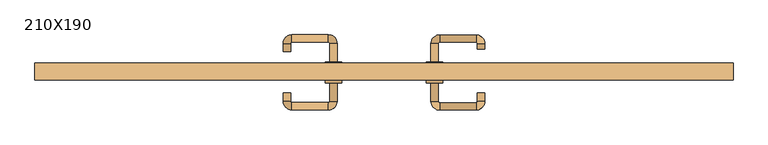
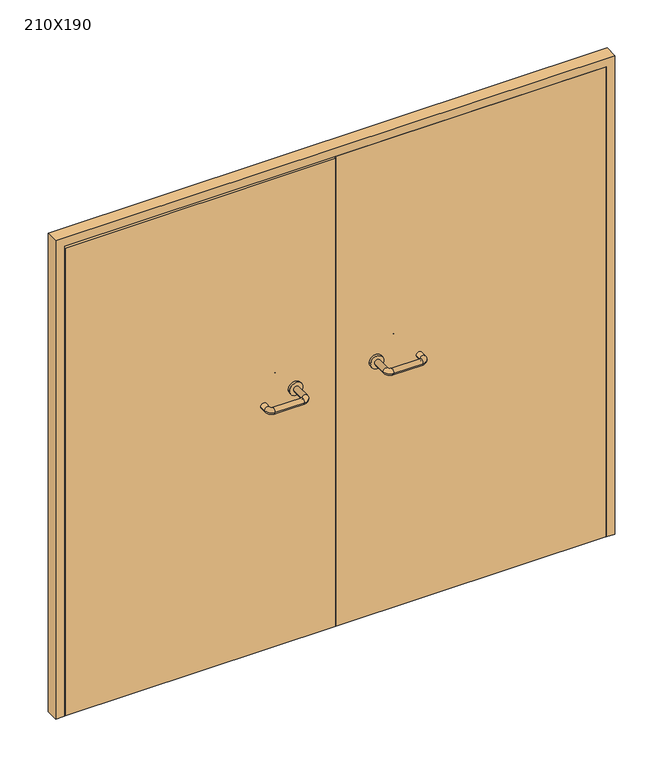
"""IFC4 building model written with IfcOpenShell, lengths in millimetres: door geometry, 210X190."""

from ifc_helpers import new_model, si_unit, point, frame, frame_2d, origin, place, context, project, spatial, polyline, circle_curve, ellipse_curve, trimmed, segment, composite_curve, outline, extrude, source, transform, mapped, element, save
from ifc_brep_helpers import plane_surface, cylinder_surface, revolved_surface, advanced_brep


def door_210x190_cffe0eb4(model_context):
    return source(origin(), model_context, "Body", "SolidModel", [
        extrude(outline(polyline([(1900.0, -1050.0), (0.0, -1050.0), (0.0, -1018.0), (1868.0, -1018.0), (1868.0, 1018.0), (0.0, 1018.0), (0.0, 1050.0), (1900.0, 1050.0), (1900.0, -1050.0)])), frame((0.0, -150.0, 0.0), z_axis=(0.0, 1.0, 0.0), x_axis=(0.0, 0.0, 1.0)), (0.0, 0.0, 1.0), 50.0),
        advanced_brep(
        [(140.99898, -96.0, 1003.0), (162.99898, -96.0, 1003.0), (162.99898, -40.6474631, 1003.0), (140.99898, -40.6474631, 1003.0), (166.99898, -36.6474631, 1003.0), (166.99898, -14.6474631, 1003.0), (276.99898, -36.6474631, 1003.0), (276.99898, -14.6474631, 1003.0), (280.99898, -40.6474631, 1003.0), (302.99898, -40.6474631, 1003.0), (302.99898, -58.0, 1003.0), (280.99898, -58.0, 1003.0)],
        [
            (0, 1, circle_curve(frame((151.99898, -96.0, 1003.0), z_axis=(0.0, -1.0, 0.0), x_axis=(1.0, 0.0, 0.0)), 11.0)),
            (1, 0, circle_curve(frame((151.99898, -96.0, 1003.0), z_axis=(0.0, -1.0, 0.0), x_axis=(1.0, 0.0, 0.0)), 11.0)),
            (1, 2),
            (2, 3, circle_curve(frame((151.99898, -40.6474631, 1003.0), z_axis=(0.0, -1.0, 0.0), x_axis=(1.0, 0.0, 0.0)), 11.0)),
            (3, 0),
            (3, 2, circle_curve(frame((151.99898, -40.6474631, 1003.0), z_axis=(0.0, -1.0, 0.0), x_axis=(1.0, 0.0, 0.0)), 11.0)),
            (4, 5, circle_curve(frame((166.99898, -25.6474631, 1003.0), z_axis=(-1.0, 0.0, 0.0), x_axis=(0.0, -1.0, 0.0)), 11.0)),
            (5, 3, circle_curve(frame((166.99898, -40.6474631, 1003.0), z_axis=(0.0, 0.0, 1.0), x_axis=(-1.0, 0.0, 0.0)), 26.0)),
            (2, 4, circle_curve(frame((166.99898, -40.6474631, 1003.0), z_axis=(0.0, 0.0, -1.0), x_axis=(-1.0, 0.0, 0.0)), 4.0)),
            (5, 4, circle_curve(frame((166.99898, -25.6474631, 1003.0), z_axis=(-1.0, 0.0, 0.0), x_axis=(0.0, -1.0, 0.0)), 11.0)),
            (4, 6),
            (6, 7, circle_curve(frame((276.99898, -25.6474631, 1003.0), z_axis=(-1.0, 0.0, 0.0), x_axis=(0.0, -1.0, 0.0)), 11.0)),
            (7, 5),
            (7, 6, circle_curve(frame((276.99898, -25.6474631, 1003.0), z_axis=(-1.0, 0.0, 0.0), x_axis=(0.0, -1.0, 0.0)), 11.0)),
            (8, 9, circle_curve(frame((291.99898, -40.6474631, 1003.0), z_axis=(0.0, 1.0, 0.0), x_axis=(-1.0, 0.0, 0.0)), 11.0)),
            (9, 7, circle_curve(frame((276.99898, -40.6474631, 1003.0), z_axis=(0.0, 0.0, 1.0), x_axis=(0.0, 1.0, 0.0)), 26.0)),
            (6, 8, circle_curve(frame((276.99898, -40.6474631, 1003.0), z_axis=(0.0, 0.0, -1.0), x_axis=(0.0, 1.0, 0.0)), 4.0)),
            (9, 8, circle_curve(frame((291.99898, -40.6474631, 1003.0), z_axis=(0.0, 1.0, 0.0), x_axis=(-1.0, 0.0, 0.0)), 11.0)),
            (10, 11, circle_curve(frame((291.99898, -58.0, 1003.0), z_axis=(0.0, -1.0, 0.0), x_axis=(-1.0, 0.0, 0.0)), 11.0)),
            (11, 10, circle_curve(frame((291.99898, -58.0, 1003.0), z_axis=(0.0, -1.0, 0.0), x_axis=(-1.0, 0.0, 0.0)), 11.0)),
            (8, 11),
            (10, 9),
        ],
        [
            plane_surface(frame((140.99898, -96.0, 1003.0), z_axis=(0.0, -1.0, 0.0), x_axis=(0.0, 0.0, -1.0))),
            cylinder_surface(frame((151.99898, -96.0, 1003.0), z_axis=(0.0, -1.0, 0.0), x_axis=(1.0, 0.0, 0.0)), 11.0),
            revolved_surface(trimmed(ellipse_curve(frame((151.99898, -40.6474631, 1003.0), z_axis=(0.0, 1.0, 0.0), x_axis=(1.0, 0.0, 0.0)), 11.0, 11.0), [point((140.99898, -40.6474631, 1003.0))], [point((162.99898, -40.6474631, 1003.0))], True, "CARTESIAN"), (166.99898, -40.6474631, 1003.0), (0.0, 0.0, 1.0)),
            revolved_surface(trimmed(ellipse_curve(frame((151.99898, -40.6474631, 1003.0), z_axis=(0.0, 1.0, 0.0), x_axis=(1.0, 0.0, 0.0)), 11.0, 11.0), [point((162.99898, -40.6474631, 1003.0))], [point((140.99898, -40.6474631, 1003.0))], True, "CARTESIAN"), (166.99898, -40.6474631, 1003.0), (0.0, 0.0, 1.0)),
            cylinder_surface(frame((166.99898, -25.6474631, 1003.0), z_axis=(-1.0, 0.0, 0.0), x_axis=(0.0, -1.0, 0.0)), 11.0),
            revolved_surface(trimmed(ellipse_curve(frame((276.99898, -25.6474631, 1003.0), z_axis=(1.0, 0.0, 0.0), x_axis=(0.0, -1.0, 0.0)), 11.0, 11.0), [point((276.99898, -14.6474631, 1003.0))], [point((276.99898, -36.6474631, 1003.0))], True, "CARTESIAN"), (276.99898, -40.6474631, 1003.0), (0.0, 0.0, 1.0)),
            revolved_surface(trimmed(ellipse_curve(frame((276.99898, -25.6474631, 1003.0), z_axis=(1.0, 0.0, 0.0), x_axis=(0.0, -1.0, 0.0)), 11.0, 11.0), [point((276.99898, -36.6474631, 1003.0))], [point((276.99898, -14.6474631, 1003.0))], True, "CARTESIAN"), (276.99898, -40.6474631, 1003.0), (0.0, 0.0, 1.0)),
            plane_surface(frame((280.99898, -58.0, 1003.0), z_axis=(0.0, -1.0, 0.0), x_axis=(0.0, 0.0, 1.0))),
            cylinder_surface(frame((291.99898, -40.6474631, 1003.0), z_axis=(0.0, 1.0, 0.0), x_axis=(-1.0, 0.0, 0.0)), 11.0),
        ],
        [
            (0, [[1, 2]]),
            (1, [[3, 4, 5, -2]]),
            (1, [[-5, 6, -3, -1]]),
            (2, [[7, 8, -4, 9]]),
            (3, [[10, -9, -6, -8]]),
            (4, [[11, 12, 13, -7]]),
            (4, [[-13, 14, -11, -10]]),
            (5, [[15, 16, -12, 17]]),
            (6, [[18, -17, -14, -16]]),
            (7, [[19, 20]]),
            (8, [[21, -19, 22, -15]]),
            (8, [[-22, -20, -21, -18]]),
        ],
    ),
        extrude(outline(composite_curve([segment(trimmed(circle_curve(frame_2d((1003.0, 151.99898)), 25.0), [point((1003.0, 126.99898))], [point((1003.0, 176.99898))], False, "CARTESIAN"), True, "CONTINUOUS"), segment(trimmed(circle_curve(frame_2d((1003.0, 151.99898)), 25.0), [point((1003.0, 176.99898))], [point((1003.0, 126.99898))], False, "CARTESIAN"), True, "CONTINUOUS")], self_intersect=False)), frame((0.0, -106.0, 0.0), z_axis=(0.0, 1.0, 0.0), x_axis=(0.0, 0.0, 1.0)), (0.0, 0.0, 1.0), 10.0),
        advanced_brep(
        [(162.99898, -160.0, 1003.0), (140.99898, -160.0, 1003.0), (140.99898, -215.0, 1003.0), (162.99898, -215.0, 1003.0), (166.99898, -241.0, 1003.0), (166.99898, -219.0, 1003.0), (276.99898, -241.0, 1003.0), (276.99898, -219.0, 1003.0), (302.99898, -215.0, 1003.0), (280.99898, -215.0, 1003.0), (280.99898, -190.0, 1003.0), (302.99898, -190.0, 1003.0)],
        [
            (0, 1, circle_curve(frame((151.99898, -160.0, 1003.0), z_axis=(0.0, 1.0, 0.0), x_axis=(-1.0, 0.0, 0.0)), 11.0)),
            (1, 0, circle_curve(frame((151.99898, -160.0, 1003.0), z_axis=(0.0, 1.0, 0.0), x_axis=(-1.0, 0.0, 0.0)), 11.0)),
            (1, 2),
            (2, 3, circle_curve(frame((151.99898, -215.0, 1003.0), z_axis=(0.0, 1.0, 0.0), x_axis=(-1.0, 0.0, 0.0)), 11.0)),
            (3, 0),
            (3, 2, circle_curve(frame((151.99898, -215.0, 1003.0), z_axis=(0.0, 1.0, 0.0), x_axis=(-1.0, 0.0, 0.0)), 11.0)),
            (4, 5, circle_curve(frame((166.99898, -230.0, 1003.0), z_axis=(-1.0, 0.0, 0.0), x_axis=(0.0, -1.0, 0.0)), 11.0)),
            (5, 3, circle_curve(frame((166.99898, -215.0, 1003.0), z_axis=(0.0, 0.0, -1.0), x_axis=(-1.0, 0.0, 0.0)), 4.0)),
            (2, 4, circle_curve(frame((166.99898, -215.0, 1003.0), z_axis=(0.0, 0.0, 1.0), x_axis=(-1.0, 0.0, 0.0)), 26.0)),
            (5, 4, circle_curve(frame((166.99898, -230.0, 1003.0), z_axis=(-1.0, 0.0, 0.0), x_axis=(0.0, -1.0, 0.0)), 11.0)),
            (4, 6),
            (6, 7, circle_curve(frame((276.99898, -230.0, 1003.0), z_axis=(-1.0, 0.0, 0.0), x_axis=(0.0, -1.0, 0.0)), 11.0)),
            (7, 5),
            (7, 6, circle_curve(frame((276.99898, -230.0, 1003.0), z_axis=(-1.0, 0.0, 0.0), x_axis=(0.0, -1.0, 0.0)), 11.0)),
            (8, 9, circle_curve(frame((291.99898, -215.0, 1003.0), z_axis=(0.0, -1.0, 0.0), x_axis=(1.0, 0.0, 0.0)), 11.0)),
            (9, 7, circle_curve(frame((276.99898, -215.0, 1003.0), z_axis=(0.0, 0.0, -1.0), x_axis=(0.0, -1.0, 0.0)), 4.0)),
            (6, 8, circle_curve(frame((276.99898, -215.0, 1003.0), z_axis=(0.0, 0.0, 1.0), x_axis=(0.0, -1.0, 0.0)), 26.0)),
            (9, 8, circle_curve(frame((291.99898, -215.0, 1003.0), z_axis=(0.0, -1.0, 0.0), x_axis=(1.0, 0.0, 0.0)), 11.0)),
            (10, 11, circle_curve(frame((291.99898, -190.0, 1003.0), z_axis=(0.0, 1.0, 0.0), x_axis=(1.0, 0.0, 0.0)), 11.0)),
            (11, 10, circle_curve(frame((291.99898, -190.0, 1003.0), z_axis=(0.0, 1.0, 0.0), x_axis=(1.0, 0.0, 0.0)), 11.0)),
            (8, 11),
            (10, 9),
        ],
        [
            plane_surface(frame((140.99898, -160.0, 1003.0), z_axis=(0.0, 1.0, 0.0), x_axis=(0.0, 0.0, 1.0))),
            cylinder_surface(frame((151.99898, -160.0, 1003.0), z_axis=(0.0, 1.0, 0.0), x_axis=(-1.0, 0.0, 0.0)), 11.0),
            revolved_surface(trimmed(ellipse_curve(frame((151.99898, -215.0, 1003.0), z_axis=(0.0, -1.0, 0.0), x_axis=(-1.0, 0.0, 0.0)), 11.0, 11.0), [point((162.99898, -215.0, 1003.0))], [point((140.99898, -215.0, 1003.0))], True, "CARTESIAN"), (166.99898, -215.0, 1003.0), (0.0, 0.0, -1.0)),
            revolved_surface(trimmed(ellipse_curve(frame((151.99898, -215.0, 1003.0), z_axis=(0.0, -1.0, 0.0), x_axis=(-1.0, 0.0, 0.0)), 11.0, 11.0), [point((140.99898, -215.0, 1003.0))], [point((162.99898, -215.0, 1003.0))], True, "CARTESIAN"), (166.99898, -215.0, 1003.0), (0.0, 0.0, -1.0)),
            cylinder_surface(frame((166.99898, -230.0, 1003.0), z_axis=(-1.0, 0.0, 0.0), x_axis=(0.0, -1.0, 0.0)), 11.0),
            revolved_surface(trimmed(ellipse_curve(frame((276.99898, -230.0, 1003.0), z_axis=(1.0, 0.0, 0.0), x_axis=(0.0, -1.0, 0.0)), 11.0, 11.0), [point((276.99898, -219.0, 1003.0))], [point((276.99898, -241.0, 1003.0))], True, "CARTESIAN"), (276.99898, -215.0, 1003.0), (0.0, 0.0, -1.0)),
            revolved_surface(trimmed(ellipse_curve(frame((276.99898, -230.0, 1003.0), z_axis=(1.0, 0.0, 0.0), x_axis=(0.0, -1.0, 0.0)), 11.0, 11.0), [point((276.99898, -241.0, 1003.0))], [point((276.99898, -219.0, 1003.0))], True, "CARTESIAN"), (276.99898, -215.0, 1003.0), (0.0, 0.0, -1.0)),
            plane_surface(frame((280.99898, -190.0, 1003.0), z_axis=(0.0, 1.0, 0.0), x_axis=(0.0, 0.0, -1.0))),
            cylinder_surface(frame((291.99898, -215.0, 1003.0), z_axis=(0.0, -1.0, 0.0), x_axis=(1.0, 0.0, 0.0)), 11.0),
        ],
        [
            (0, [[1, 2]]),
            (1, [[3, 4, 5, -2]]),
            (1, [[-5, 6, -3, -1]]),
            (2, [[7, 8, -4, 9]]),
            (3, [[10, -9, -6, -8]]),
            (4, [[11, 12, 13, -7]]),
            (4, [[-13, 14, -11, -10]]),
            (5, [[15, 16, -12, 17]]),
            (6, [[18, -17, -14, -16]]),
            (7, [[19, 20]]),
            (8, [[21, -19, 22, -15]]),
            (8, [[-22, -20, -21, -18]]),
        ],
    ),
        extrude(outline(composite_curve([segment(trimmed(circle_curve(frame_2d((1003.0, 151.99898)), 25.0), [point((1003.0, 176.99898))], [point((1003.0, 126.99898))], False, "CARTESIAN"), True, "CONTINUOUS"), segment(trimmed(circle_curve(frame_2d((1003.0, 151.99898)), 25.0), [point((1003.0, 126.99898))], [point((1003.0, 176.99898))], False, "CARTESIAN"), True, "CONTINUOUS")], self_intersect=False)), frame((0.0, -160.0, 0.0), z_axis=(0.0, 1.0, 0.0), x_axis=(0.0, 0.0, 1.0)), (0.0, 0.0, 1.0), 10.0),
        advanced_brep(
        [(-162.99898, -95.6886121, 1003.0), (-140.99898, -95.6886121, 1003.0), (-140.99898, -40.2779553, 1003.0), (-162.99898, -40.2779553, 1003.0), (-166.99898, -14.2779553, 1003.0), (-166.99898, -36.2779553, 1003.0), (-276.99898, -14.2779553, 1003.0), (-276.99898, -36.2779553, 1003.0), (-302.99898, -40.2779553, 1003.0), (-280.99898, -40.2779553, 1003.0), (-280.99898, -65.2779553, 1003.0), (-302.99898, -65.2779553, 1003.0)],
        [
            (0, 1, circle_curve(frame((-151.99898, -95.6886121, 1003.0), z_axis=(0.0, -1.0, 0.0), x_axis=(1.0, 0.0, 0.0)), 11.0)),
            (1, 0, circle_curve(frame((-151.99898, -95.6886121, 1003.0), z_axis=(0.0, -1.0, 0.0), x_axis=(1.0, 0.0, 0.0)), 11.0)),
            (1, 2),
            (2, 3, circle_curve(frame((-151.99898, -40.2779553, 1003.0), z_axis=(0.0, -1.0, 0.0), x_axis=(1.0, 0.0, 0.0)), 11.0)),
            (3, 0),
            (3, 2, circle_curve(frame((-151.99898, -40.2779553, 1003.0), z_axis=(0.0, -1.0, 0.0), x_axis=(1.0, 0.0, 0.0)), 11.0)),
            (4, 5, circle_curve(frame((-166.99898, -25.2779553, 1003.0), z_axis=(1.0, 0.0, 0.0), x_axis=(0.0, 1.0, 0.0)), 11.0)),
            (5, 3, circle_curve(frame((-166.99898, -40.2779553, 1003.0), z_axis=(0.0, 0.0, -1.0), x_axis=(1.0, 0.0, 0.0)), 4.0)),
            (2, 4, circle_curve(frame((-166.99898, -40.2779553, 1003.0), z_axis=(0.0, 0.0, 1.0), x_axis=(1.0, 0.0, 0.0)), 26.0)),
            (5, 4, circle_curve(frame((-166.99898, -25.2779553, 1003.0), z_axis=(1.0, 0.0, 0.0), x_axis=(0.0, 1.0, 0.0)), 11.0)),
            (4, 6),
            (6, 7, circle_curve(frame((-276.99898, -25.2779553, 1003.0), z_axis=(1.0, 0.0, 0.0), x_axis=(0.0, 1.0, 0.0)), 11.0)),
            (7, 5),
            (7, 6, circle_curve(frame((-276.99898, -25.2779553, 1003.0), z_axis=(1.0, 0.0, 0.0), x_axis=(0.0, 1.0, 0.0)), 11.0)),
            (8, 9, circle_curve(frame((-291.99898, -40.2779553, 1003.0), z_axis=(0.0, 1.0, 0.0), x_axis=(-1.0, 0.0, 0.0)), 11.0)),
            (9, 7, circle_curve(frame((-276.99898, -40.2779553, 1003.0), z_axis=(0.0, 0.0, -1.0), x_axis=(0.0, 1.0, 0.0)), 4.0)),
            (6, 8, circle_curve(frame((-276.99898, -40.2779553, 1003.0), z_axis=(0.0, 0.0, 1.0), x_axis=(0.0, 1.0, 0.0)), 26.0)),
            (9, 8, circle_curve(frame((-291.99898, -40.2779553, 1003.0), z_axis=(0.0, 1.0, 0.0), x_axis=(-1.0, 0.0, 0.0)), 11.0)),
            (10, 11, circle_curve(frame((-291.99898, -65.2779553, 1003.0), z_axis=(0.0, -1.0, 0.0), x_axis=(-1.0, 0.0, 0.0)), 11.0)),
            (11, 10, circle_curve(frame((-291.99898, -65.2779553, 1003.0), z_axis=(0.0, -1.0, 0.0), x_axis=(-1.0, 0.0, 0.0)), 11.0)),
            (8, 11),
            (10, 9),
        ],
        [
            plane_surface(frame((-162.99898, -95.6886121, 1003.0), z_axis=(0.0, -1.0, 0.0), x_axis=(0.0, 0.0, -1.0))),
            cylinder_surface(frame((-151.99898, -95.6886121, 1003.0), z_axis=(0.0, -1.0, 0.0), x_axis=(1.0, 0.0, 0.0)), 11.0),
            revolved_surface(trimmed(ellipse_curve(frame((-151.99898, -40.2779553, 1003.0), z_axis=(0.0, 1.0, 0.0), x_axis=(1.0, 0.0, 0.0)), 11.0, 11.0), [point((-162.99898, -40.2779553, 1003.0))], [point((-140.99898, -40.2779553, 1003.0))], True, "CARTESIAN"), (-166.99898, -40.2779553, 1003.0), (0.0, 0.0, -1.0)),
            revolved_surface(trimmed(ellipse_curve(frame((-151.99898, -40.2779553, 1003.0), z_axis=(0.0, 1.0, 0.0), x_axis=(1.0, 0.0, 0.0)), 11.0, 11.0), [point((-140.99898, -40.2779553, 1003.0))], [point((-162.99898, -40.2779553, 1003.0))], True, "CARTESIAN"), (-166.99898, -40.2779553, 1003.0), (0.0, 0.0, -1.0)),
            cylinder_surface(frame((-166.99898, -25.2779553, 1003.0), z_axis=(1.0, 0.0, 0.0), x_axis=(0.0, 1.0, 0.0)), 11.0),
            revolved_surface(trimmed(ellipse_curve(frame((-276.99898, -25.2779553, 1003.0), z_axis=(-1.0, 0.0, 0.0), x_axis=(0.0, 1.0, 0.0)), 11.0, 11.0), [point((-276.99898, -36.2779553, 1003.0))], [point((-276.99898, -14.2779553, 1003.0))], True, "CARTESIAN"), (-276.99898, -40.2779553, 1003.0), (0.0, 0.0, -1.0)),
            revolved_surface(trimmed(ellipse_curve(frame((-276.99898, -25.2779553, 1003.0), z_axis=(-1.0, 0.0, 0.0), x_axis=(0.0, 1.0, 0.0)), 11.0, 11.0), [point((-276.99898, -14.2779553, 1003.0))], [point((-276.99898, -36.2779553, 1003.0))], True, "CARTESIAN"), (-276.99898, -40.2779553, 1003.0), (0.0, 0.0, -1.0)),
            plane_surface(frame((-302.99898, -65.2779553, 1003.0), z_axis=(0.0, -1.0, 0.0), x_axis=(0.0, 0.0, 1.0))),
            cylinder_surface(frame((-291.99898, -40.2779553, 1003.0), z_axis=(0.0, 1.0, 0.0), x_axis=(-1.0, 0.0, 0.0)), 11.0),
        ],
        [
            (0, [[1, 2]]),
            (1, [[3, 4, 5, -2]]),
            (1, [[-5, 6, -3, -1]]),
            (2, [[7, 8, -4, 9]]),
            (3, [[10, -9, -6, -8]]),
            (4, [[11, 12, 13, -7]]),
            (4, [[-13, 14, -11, -10]]),
            (5, [[15, 16, -12, 17]]),
            (6, [[18, -17, -14, -16]]),
            (7, [[19, 20]]),
            (8, [[21, -19, 22, -15]]),
            (8, [[-22, -20, -21, -18]]),
        ],
    ),
        extrude(outline(composite_curve([segment(trimmed(circle_curve(frame_2d((1003.0, -151.99898)), 25.0), [point((1003.0, -176.99898))], [point((1003.0, -126.99898))], False, "CARTESIAN"), True, "CONTINUOUS"), segment(trimmed(circle_curve(frame_2d((1003.0, -151.99898)), 25.0), [point((1003.0, -126.99898))], [point((1003.0, -176.99898))], False, "CARTESIAN"), True, "CONTINUOUS")], self_intersect=False)), frame((0.0, -106.0, 0.0), z_axis=(0.0, 1.0, 0.0), x_axis=(0.0, 0.0, 1.0)), (0.0, 0.0, 1.0), 10.3113879),
        advanced_brep(
        [(-140.99898, -159.5143417, 1003.0), (-162.99898, -159.5143417, 1003.0), (-162.99898, -214.6104656, 1003.0), (-140.99898, -214.6104656, 1003.0), (-166.99898, -218.6104656, 1003.0), (-166.99898, -240.6104656, 1003.0), (-276.99898, -218.6104656, 1003.0), (-276.99898, -240.6104656, 1003.0), (-280.99898, -214.6104656, 1003.0), (-302.99898, -214.6104656, 1003.0), (-302.99898, -189.6104656, 1003.0), (-280.99898, -189.6104656, 1003.0)],
        [
            (0, 1, circle_curve(frame((-151.99898, -159.5143417, 1003.0), z_axis=(0.0, 1.0, 0.0), x_axis=(-1.0, 0.0, 0.0)), 11.0)),
            (1, 0, circle_curve(frame((-151.99898, -159.5143417, 1003.0), z_axis=(0.0, 1.0, 0.0), x_axis=(-1.0, 0.0, 0.0)), 11.0)),
            (1, 2),
            (2, 3, circle_curve(frame((-151.99898, -214.6104656, 1003.0), z_axis=(0.0, 1.0, 0.0), x_axis=(-1.0, 0.0, 0.0)), 11.0)),
            (3, 0),
            (3, 2, circle_curve(frame((-151.99898, -214.6104656, 1003.0), z_axis=(0.0, 1.0, 0.0), x_axis=(-1.0, 0.0, 0.0)), 11.0)),
            (4, 5, circle_curve(frame((-166.99898, -229.6104656, 1003.0), z_axis=(1.0, 0.0, 0.0), x_axis=(0.0, 1.0, 0.0)), 11.0)),
            (5, 3, circle_curve(frame((-166.99898, -214.6104656, 1003.0), z_axis=(0.0, 0.0, 1.0), x_axis=(1.0, 0.0, 0.0)), 26.0)),
            (2, 4, circle_curve(frame((-166.99898, -214.6104656, 1003.0), z_axis=(0.0, 0.0, -1.0), x_axis=(1.0, 0.0, 0.0)), 4.0)),
            (5, 4, circle_curve(frame((-166.99898, -229.6104656, 1003.0), z_axis=(1.0, 0.0, 0.0), x_axis=(0.0, 1.0, 0.0)), 11.0)),
            (4, 6),
            (6, 7, circle_curve(frame((-276.99898, -229.6104656, 1003.0), z_axis=(1.0, 0.0, 0.0), x_axis=(0.0, 1.0, 0.0)), 11.0)),
            (7, 5),
            (7, 6, circle_curve(frame((-276.99898, -229.6104656, 1003.0), z_axis=(1.0, 0.0, 0.0), x_axis=(0.0, 1.0, 0.0)), 11.0)),
            (8, 9, circle_curve(frame((-291.99898, -214.6104656, 1003.0), z_axis=(0.0, -1.0, 0.0), x_axis=(1.0, 0.0, 0.0)), 11.0)),
            (9, 7, circle_curve(frame((-276.99898, -214.6104656, 1003.0), z_axis=(0.0, 0.0, 1.0), x_axis=(0.0, -1.0, 0.0)), 26.0)),
            (6, 8, circle_curve(frame((-276.99898, -214.6104656, 1003.0), z_axis=(0.0, 0.0, -1.0), x_axis=(0.0, -1.0, 0.0)), 4.0)),
            (9, 8, circle_curve(frame((-291.99898, -214.6104656, 1003.0), z_axis=(0.0, -1.0, 0.0), x_axis=(1.0, 0.0, 0.0)), 11.0)),
            (10, 11, circle_curve(frame((-291.99898, -189.6104656, 1003.0), z_axis=(0.0, 1.0, 0.0), x_axis=(1.0, 0.0, 0.0)), 11.0)),
            (11, 10, circle_curve(frame((-291.99898, -189.6104656, 1003.0), z_axis=(0.0, 1.0, 0.0), x_axis=(1.0, 0.0, 0.0)), 11.0)),
            (8, 11),
            (10, 9),
        ],
        [
            plane_surface(frame((-162.99898, -159.5143417, 1003.0), z_axis=(0.0, 1.0, 0.0), x_axis=(0.0, 0.0, 1.0))),
            cylinder_surface(frame((-151.99898, -159.5143417, 1003.0), z_axis=(0.0, 1.0, 0.0), x_axis=(-1.0, 0.0, 0.0)), 11.0),
            revolved_surface(trimmed(ellipse_curve(frame((-151.99898, -214.6104656, 1003.0), z_axis=(0.0, -1.0, 0.0), x_axis=(-1.0, 0.0, 0.0)), 11.0, 11.0), [point((-140.99898, -214.6104656, 1003.0))], [point((-162.99898, -214.6104656, 1003.0))], True, "CARTESIAN"), (-166.99898, -214.6104656, 1003.0), (0.0, 0.0, 1.0)),
            revolved_surface(trimmed(ellipse_curve(frame((-151.99898, -214.6104656, 1003.0), z_axis=(0.0, -1.0, 0.0), x_axis=(-1.0, 0.0, 0.0)), 11.0, 11.0), [point((-162.99898, -214.6104656, 1003.0))], [point((-140.99898, -214.6104656, 1003.0))], True, "CARTESIAN"), (-166.99898, -214.6104656, 1003.0), (0.0, 0.0, 1.0)),
            cylinder_surface(frame((-166.99898, -229.6104656, 1003.0), z_axis=(1.0, 0.0, 0.0), x_axis=(0.0, 1.0, 0.0)), 11.0),
            revolved_surface(trimmed(ellipse_curve(frame((-276.99898, -229.6104656, 1003.0), z_axis=(-1.0, 0.0, 0.0), x_axis=(0.0, 1.0, 0.0)), 11.0, 11.0), [point((-276.99898, -240.6104656, 1003.0))], [point((-276.99898, -218.6104656, 1003.0))], True, "CARTESIAN"), (-276.99898, -214.6104656, 1003.0), (0.0, 0.0, 1.0)),
            revolved_surface(trimmed(ellipse_curve(frame((-276.99898, -229.6104656, 1003.0), z_axis=(-1.0, 0.0, 0.0), x_axis=(0.0, 1.0, 0.0)), 11.0, 11.0), [point((-276.99898, -218.6104656, 1003.0))], [point((-276.99898, -240.6104656, 1003.0))], True, "CARTESIAN"), (-276.99898, -214.6104656, 1003.0), (0.0, 0.0, 1.0)),
            plane_surface(frame((-302.99898, -189.6104656, 1003.0), z_axis=(0.0, 1.0, 0.0), x_axis=(0.0, 0.0, -1.0))),
            cylinder_surface(frame((-291.99898, -214.6104656, 1003.0), z_axis=(0.0, -1.0, 0.0), x_axis=(1.0, 0.0, 0.0)), 11.0),
        ],
        [
            (0, [[1, 2]]),
            (1, [[3, 4, 5, -2]]),
            (1, [[-5, 6, -3, -1]]),
            (2, [[7, 8, -4, 9]]),
            (3, [[10, -9, -6, -8]]),
            (4, [[11, 12, 13, -7]]),
            (4, [[-13, 14, -11, -10]]),
            (5, [[15, 16, -12, 17]]),
            (6, [[18, -17, -14, -16]]),
            (7, [[19, 20]]),
            (8, [[21, -19, 22, -15]]),
            (8, [[-22, -20, -21, -18]]),
        ],
    ),
        extrude(outline(composite_curve([segment(trimmed(circle_curve(frame_2d((1003.0, -151.99898)), 25.0), [point((1003.0, -126.99898))], [point((1003.0, -176.99898))], False, "CARTESIAN"), True, "CONTINUOUS"), segment(trimmed(circle_curve(frame_2d((1003.0, -151.99898)), 25.0), [point((1003.0, -176.99898))], [point((1003.0, -126.99898))], False, "CARTESIAN"), True, "CONTINUOUS")], self_intersect=False)), frame((0.0, -159.5143417, 0.0), z_axis=(0.0, 1.0, 0.0), x_axis=(0.0, 0.0, 1.0)), (0.0, 0.0, 1.0), 9.5143417),
        extrude(outline(polyline([(1.0739506, -106.0), (1.0739506, -150.0), (-1015.0, -150.0), (-1015.0, -106.0), (1.0739506, -106.0)])), frame((0.0, 0.0, 1.753223), z_axis=(0.0, 0.0, 1.0), x_axis=(1.0, 0.0, 0.0)), (0.0, 0.0, 1.0), 1857.246777),
        extrude(outline(polyline([(1015.0, -106.0), (1015.0, -150.0), (1.0739506, -150.0), (1.0739506, -106.0), (1015.0, -106.0)])), frame((0.0, 0.0, 1.753223), z_axis=(0.0, 0.0, 1.0), x_axis=(1.0, 0.0, 0.0)), (0.0, 0.0, 1.0), 1866.246777),
    ])


if __name__ == "__main__":
    model = new_model("IFC4")
    model_context = context("Model", 3, world=origin())
    ifc_project = project(units=[si_unit("LENGTHUNIT", "METRE", prefix="MILLI")], contexts=[model_context])
    site = spatial("IfcSite", under=ifc_project)
    building = spatial("IfcBuilding", under=site)
    placement = place(None, origin())
    door_210x190_shape = door_210x190_cffe0eb4(model_context)
    element("IfcDoor", 1, ObjectType="210X190", at=placement, inside=building, context=model_context, shape_type="MappedRepresentation", body=[
        mapped(door_210x190_shape, transform((0.0, 0.0, 0.0), x_axis=(1.0, 0.0, 0.0), y_axis=(0.0, 1.0, 0.0), z_axis=(0.0, 0.0, 1.0))),
    ])
    save(model, "model.ifc")
